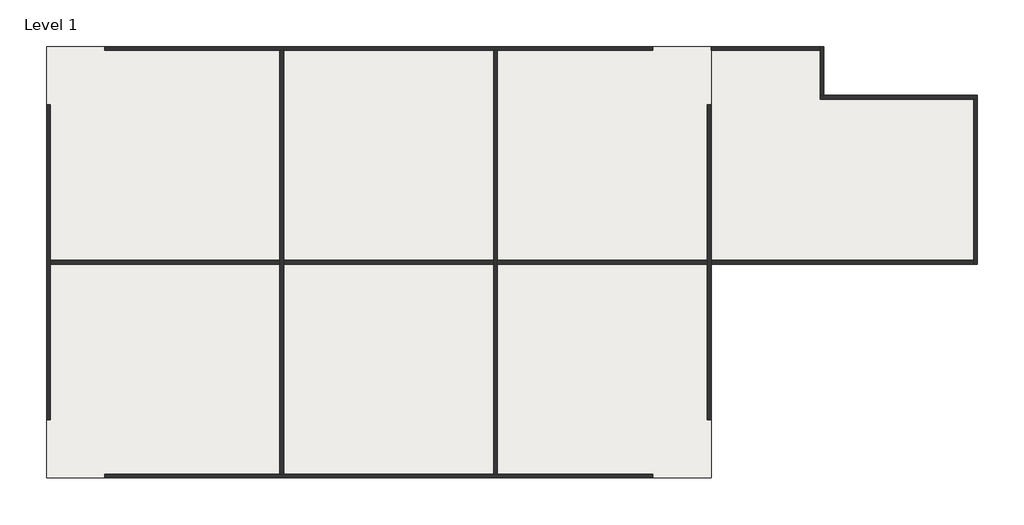
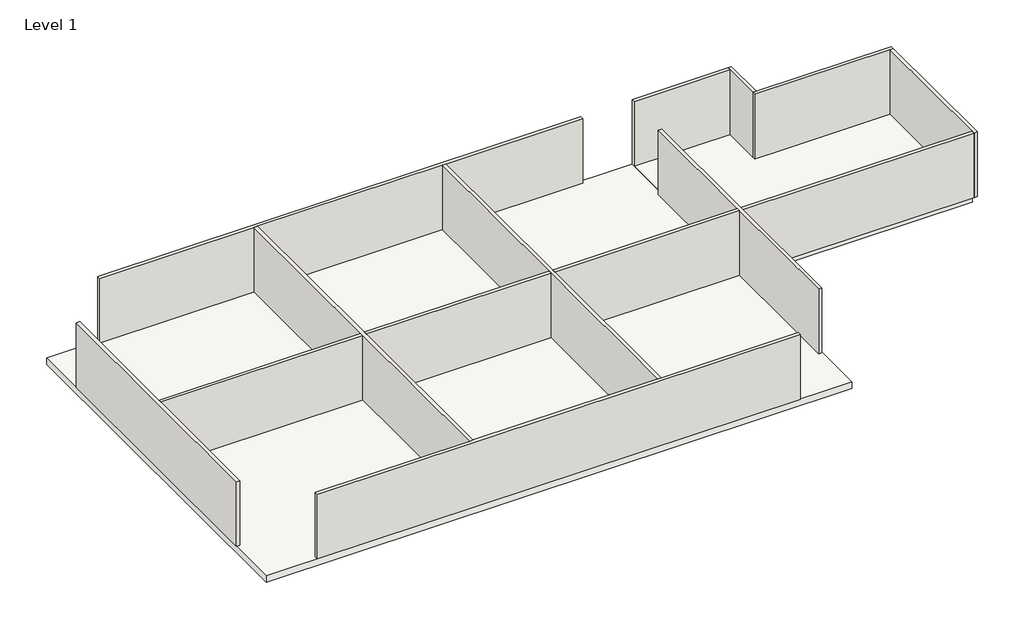
# One storey: 12 walls, 2 slabs.
"""IFC4 building model written with IfcOpenShell, lengths in millimetres."""

from ifc_helpers import new_model, si_unit, frame, origin, origin_with_axes, place, context, project, spatial, polyline, outline, extrude, faceted_brep, element, save

model = new_model("IFC4")

# Units and contexts
model_context = context("Model", 3, world=origin())
ifc_project = project(units=[si_unit("LENGTHUNIT", "METRE", prefix="MILLI")], contexts=[model_context])

# Site, building, storey
site = spatial("IfcSite", under=ifc_project)
building = spatial("IfcBuilding", under=site)
storey = spatial("IfcBuildingStorey", under=building, Name="Level 1", Elevation=0.0)

# Slabs
placement = place(None, origin())
element("IfcSlab", 1, ObjectType="Generic Floor - 400mm", at=placement, inside=storey, context=model_context, shape_type="SweptSolid", body=[
    extrude(outline(polyline([(-15986.4278611, 6724.7373845), (18213.5721389, 6724.7373845), (18213.5721389, -15475.2626155), (-15986.4278611, -15475.2626155), (-15986.4278611, 6724.7373845)])), frame((0.0, 0.0, -400.0), z_axis=(0.0, 0.0, 1.0), x_axis=(1.0, 0.0, 0.0)), (0.0, 0.0, 1.0), 400.0),
])
element("IfcSlab", 2, ObjectType="Generic Floor - 400mm", at=placement, inside=storey, context=model_context, shape_type="SweptSolid", body=[
    extrude(outline(polyline([(23813.5721389, 6524.7373845), (23813.5721389, 4024.7373845), (31713.5721389, 4024.7373845), (31713.5721389, -4275.2626155), (18213.5721389, -4275.2626155), (18213.5721389, 6524.7373845), (23813.5721389, 6524.7373845)])), frame((0.0, 0.0, -400.0), z_axis=(0.0, 0.0, 1.0), x_axis=(1.0, 0.0, 0.0)), (0.0, 0.0, 1.0), 400.0),
])

# Walls
element("IfcWall", 3, ObjectType="Generic - 200mm", at=placement, inside=storey, context=model_context, shape_type="Brep", body=[
    faceted_brep([(-12986.4278611, 6524.7373845, 0.0), (-3986.4278611, 6524.7373845, 0.0), (-3786.4278611, 6524.7373845, 0.0), (7013.5721389, 6524.7373845, 0.0), (7213.5721389, 6524.7373845, 0.0), (15213.5721389, 6524.7373845, 0.0), (15213.5721389, 6524.7373845, 4000.0), (7213.5721389, 6524.7373845, 4000.0), (7013.5721389, 6524.7373845, 4000.0), (-3786.4278611, 6524.7373845, 4000.0), (-3986.4278611, 6524.7373845, 4000.0), (-12986.4278611, 6524.7373845, 4000.0), (-12986.4278611, 6724.7373845, 0.0), (-12986.4278611, 6724.7373845, 4000.0), (15213.5721389, 6724.7373845, 4000.0), (15213.5721389, 6724.7373845, 0.0)], [[[0, 1, 2, 3, 4, 5, 6, 7, 8, 9, 10, 11]], [[12, 13, 14, 15]], [[5, 4, 3, 2, 1, 0, 12, 15]], [[6, 5, 15, 14]], [[11, 10, 9, 8, 7, 6, 14, 13]], [[0, 11, 13, 12]]]),
])
element("IfcWall", 4, ObjectType="Generic - 200mm", at=placement, inside=storey, context=model_context, shape_type="Brep", body=[
    faceted_brep([(-15786.4278611, -12475.2626155, 0.0), (-15786.4278611, -4475.2626155, 0.0), (-15786.4278611, -4275.2626155, 0.0), (-15786.4278611, 3724.7373845, 0.0), (-15786.4278611, 3724.7373845, 4000.0), (-15786.4278611, -4275.2626155, 4000.0), (-15786.4278611, -4475.2626155, 4000.0), (-15786.4278611, -12475.2626155, 4000.0), (-15986.4278611, -12475.2626155, 0.0), (-15986.4278611, -12475.2626155, 4000.0), (-15986.4278611, 3724.7373845, 4000.0), (-15986.4278611, 3724.7373845, 0.0)], [[[0, 1, 2, 3, 4, 5, 6, 7]], [[8, 9, 10, 11]], [[3, 2, 1, 0, 8, 11]], [[4, 3, 11, 10]], [[7, 6, 5, 4, 10, 9]], [[0, 7, 9, 8]]]),
])
element("IfcWall", 5, ObjectType="Generic - 200mm", at=placement, inside=storey, context=model_context, shape_type="Brep", body=[
    faceted_brep([(15213.5721389, -15275.2626155, 0.0), (7213.5721389, -15275.2626155, 0.0), (7013.5721389, -15275.2626155, 0.0), (-3786.4278611, -15275.2626155, 0.0), (-3986.4278611, -15275.2626155, 0.0), (-12986.4278611, -15275.2626155, 0.0), (-12986.4278611, -15275.2626155, 4000.0), (-3986.4278611, -15275.2626155, 4000.0), (-3786.4278611, -15275.2626155, 4000.0), (7013.5721389, -15275.2626155, 4000.0), (7213.5721389, -15275.2626155, 4000.0), (15213.5721389, -15275.2626155, 4000.0), (15213.5721389, -15475.2626155, 0.0), (15213.5721389, -15475.2626155, 4000.0), (-12986.4278611, -15475.2626155, 4000.0), (-12986.4278611, -15475.2626155, 0.0)], [[[0, 1, 2, 3, 4, 5, 6, 7, 8, 9, 10, 11]], [[12, 13, 14, 15]], [[5, 4, 3, 2, 1, 0, 12, 15]], [[6, 5, 15, 14]], [[11, 10, 9, 8, 7, 6, 14, 13]], [[0, 11, 13, 12]]]),
])
element("IfcWall", 6, ObjectType="Generic - 200mm", at=placement, inside=storey, context=model_context, shape_type="Brep", body=[
    faceted_brep([(18013.5721389, 3724.7373845, 0.0), (18013.5721389, -4275.2626155, 0.0), (18013.5721389, -4475.2626155, 0.0), (18013.5721389, -12475.2626155, 0.0), (18013.5721389, -12475.2626155, 4000.0), (18013.5721389, -4475.2626155, 4000.0), (18013.5721389, -4275.2626155, 4000.0), (18013.5721389, 3724.7373845, 4000.0), (18213.5721389, 3724.7373845, 0.0), (18213.5721389, 3724.7373845, 4000.0), (18213.5721389, -4275.2626155, 4000.0), (18213.5721389, -4475.2626155, 4000.0), (18213.5721389, -12475.2626155, 4000.0), (18213.5721389, -12475.2626155, 0.0), (18213.5721389, -4475.2626155, 0.0), (18213.5721389, -4275.2626155, 0.0)], [[[0, 1, 2, 3, 4, 5, 6, 7]], [[8, 9, 10, 11, 12, 13, 14, 15]], [[3, 2, 1, 0, 8, 15, 14, 13]], [[4, 3, 13, 12]], [[7, 6, 5, 4, 12, 11, 10, 9]], [[0, 7, 9, 8]]]),
])
element("IfcWall", 7, ObjectType="Generic - 200mm", at=placement, inside=storey, context=model_context, shape_type="Brep", body=[
    faceted_brep([(-3986.4278611, 6524.7373845, 0.0), (-3986.4278611, -4275.2626155, 0.0), (-3986.4278611, -4475.2626155, 0.0), (-3986.4278611, -15275.2626155, 0.0), (-3986.4278611, -15275.2626155, 4000.0), (-3986.4278611, -4475.2626155, 4000.0), (-3986.4278611, -4275.2626155, 4000.0), (-3986.4278611, 6524.7373845, 4000.0), (-3786.4278611, 6524.7373845, 0.0), (-3786.4278611, 6524.7373845, 4000.0), (-3786.4278611, -4275.2626155, 4000.0), (-3786.4278611, -4475.2626155, 4000.0), (-3786.4278611, -15275.2626155, 4000.0), (-3786.4278611, -15275.2626155, 0.0), (-3786.4278611, -4475.2626155, 0.0), (-3786.4278611, -4275.2626155, 0.0)], [[[0, 1, 2, 3, 4, 5, 6, 7]], [[8, 9, 10, 11, 12, 13, 14, 15]], [[3, 2, 1, 0, 8, 15, 14, 13]], [[7, 6, 5, 4, 12, 11, 10, 9]], [[0, 7, 9, 8]], [[4, 3, 13, 12]]]),
])
element("IfcWall", 8, ObjectType="Generic - 200mm", at=placement, inside=storey, context=model_context, shape_type="Brep", body=[
    faceted_brep([(7013.5721389, 6524.7373845, 0.0), (7013.5721389, -4275.2626155, 0.0), (7013.5721389, -4475.2626155, 0.0), (7013.5721389, -15275.2626155, 0.0), (7013.5721389, -15275.2626155, 4000.0), (7013.5721389, -4475.2626155, 4000.0), (7013.5721389, -4275.2626155, 4000.0), (7013.5721389, 6524.7373845, 4000.0), (7213.5721389, 6524.7373845, 0.0), (7213.5721389, 6524.7373845, 4000.0), (7213.5721389, -4275.2626155, 4000.0), (7213.5721389, -4475.2626155, 4000.0), (7213.5721389, -15275.2626155, 4000.0), (7213.5721389, -15275.2626155, 0.0), (7213.5721389, -4475.2626155, 0.0), (7213.5721389, -4275.2626155, 0.0)], [[[0, 1, 2, 3, 4, 5, 6, 7]], [[8, 9, 10, 11, 12, 13, 14, 15]], [[3, 2, 1, 0, 8, 15, 14, 13]], [[7, 6, 5, 4, 12, 11, 10, 9]], [[0, 7, 9, 8]], [[4, 3, 13, 12]]]),
])
element("IfcWall", 9, ObjectType="Generic - 200mm", at=placement, inside=storey, context=model_context, shape_type="SweptSolid", body=[
    extrude(outline(polyline([(-15786.4278611, -4475.2626155), (-15786.4278611, -4275.2626155), (-3986.4278611, -4275.2626155), (-3986.4278611, -4475.2626155), (-15786.4278611, -4475.2626155)])), origin_with_axes(), (0.0, 0.0, 1.0), 4000.0),
    extrude(outline(polyline([(18013.5721389, -4275.2626155), (18013.5721389, -4475.2626155), (7213.5721389, -4475.2626155), (7213.5721389, -4275.2626155), (18013.5721389, -4275.2626155)])), origin_with_axes(), (0.0, 0.0, 1.0), 4000.0),
    extrude(outline(polyline([(-3786.4278611, -4475.2626155), (-3786.4278611, -4275.2626155), (7013.5721389, -4275.2626155), (7013.5721389, -4475.2626155), (-3786.4278611, -4475.2626155)])), origin_with_axes(), (0.0, 0.0, 1.0), 4000.0),
])
element("IfcWall", 10, ObjectType="Generic - 200mm", at=placement, inside=storey, context=model_context, shape_type="SweptSolid", body=[
    extrude(outline(polyline([(31713.5721389, -4475.2626155), (18213.5721389, -4475.2626155), (18213.5721389, -4275.2626155), (31713.5721389, -4275.2626155), (31713.5721389, -4475.2626155)])), origin_with_axes(), (0.0, 0.0, 1.0), 4000.0),
])
element("IfcWall", 11, ObjectType="Generic - 200mm", at=placement, inside=storey, context=model_context, shape_type="Brep", body=[
    faceted_brep([(24013.5721389, 4224.7373845, 0.0), (24013.5721389, 6724.7373845, 0.0), (24013.5721389, 6724.7373845, 4000.0), (24013.5721389, 4224.7373845, 4000.0), (23813.5721389, 4224.7373845, 0.0), (23813.5721389, 4224.7373845, 4000.0), (23813.5721389, 6524.7373845, 4000.0), (23813.5721389, 6724.7373845, 4000.0), (23813.5721389, 6724.7373845, 0.0), (23813.5721389, 6524.7373845, 0.0)], [[[0, 1, 2, 3]], [[4, 5, 6, 7, 8, 9]], [[1, 0, 4, 9, 8]], [[3, 2, 7, 6, 5]], [[2, 1, 8, 7]], [[0, 3, 5, 4]]]),
])
element("IfcWall", 12, ObjectType="Generic - 200mm", at=placement, inside=storey, context=model_context, shape_type="SweptSolid", body=[
    extrude(outline(polyline([(18213.5721389, 6724.7373845), (23813.5721389, 6724.7373845), (23813.5721389, 6524.7373845), (18213.5721389, 6524.7373845), (18213.5721389, 6724.7373845)])), origin_with_axes(), (0.0, 0.0, 1.0), 4000.0),
])
element("IfcWall", 13, ObjectType="Generic - 200mm", at=placement, inside=storey, context=model_context, shape_type="Brep", body=[
    faceted_brep([(23813.5721389, 4024.7373845, 0.0), (31713.5721389, 4024.7373845, 0.0), (31913.5721389, 4024.7373845, 0.0), (31913.5721389, 4024.7373845, 4000.0), (31713.5721389, 4024.7373845, 4000.0), (23813.5721389, 4024.7373845, 4000.0), (23813.5721389, 4224.7373845, 0.0), (23813.5721389, 4224.7373845, 4000.0), (24013.5721389, 4224.7373845, 4000.0), (31913.5721389, 4224.7373845, 4000.0), (31913.5721389, 4224.7373845, 0.0), (24013.5721389, 4224.7373845, 0.0)], [[[0, 1, 2, 3, 4, 5]], [[6, 7, 8, 9, 10, 11]], [[2, 1, 0, 6, 11, 10]], [[5, 4, 3, 9, 8, 7]], [[3, 2, 10, 9]], [[0, 5, 7, 6]]]),
])
element("IfcWall", 14, ObjectType="Generic - 200mm", at=placement, inside=storey, context=model_context, shape_type="Brep", body=[
    faceted_brep([(31713.5721389, 4024.7373845, 0.0), (31713.5721389, -4275.2626155, 0.0), (31713.5721389, -4475.2626155, 0.0), (31713.5721389, -4475.2626155, 4000.0), (31713.5721389, -4275.2626155, 4000.0), (31713.5721389, 4024.7373845, 4000.0), (31913.5721389, 4024.7373845, 0.0), (31913.5721389, 4024.7373845, 4000.0), (31913.5721389, -4475.2626155, 4000.0), (31913.5721389, -4475.2626155, 0.0)], [[[0, 1, 2, 3, 4, 5]], [[6, 7, 8, 9]], [[2, 1, 0, 6, 9]], [[5, 4, 3, 8, 7]], [[0, 5, 7, 6]], [[3, 2, 9, 8]]]),
])

save(model, "model.ifc")
